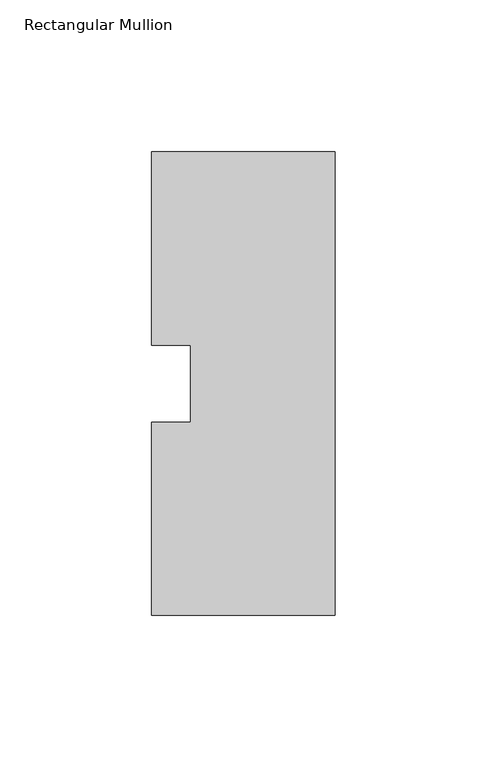
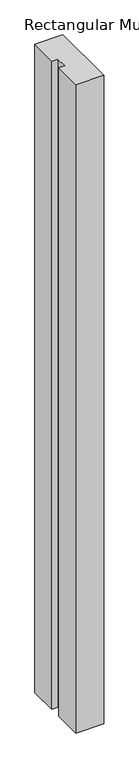
"""IFC4 building model written with IfcOpenShell, lengths in millimetres: member geometry, Rectangular Mullion."""

from ifc_helpers import new_model, si_unit, frame, origin, place, context, project, spatial, polyline, outline, extrude, source, transform, mapped, element, save


def rectangular_mullion_1bc81e8c(model_context):
    return source(origin(), model_context, "Body", "SweptSolid", [
        extrude(outline(polyline([(-60.325, 76.2), (0.0, 76.2), (0.0, -76.2), (-60.325, -76.2), (-60.325, -12.7), (-47.6232296, -12.7), (-47.6232296, 12.7), (-60.325, 12.7), (-60.325, 76.2)])), frame((0.0, 0.0, -1478.28), z_axis=(0.0, 0.0, 1.0), x_axis=(1.0, 0.0, 0.0)), (0.0, 0.0, 1.0), 1478.28),
    ])


if __name__ == "__main__":
    model = new_model("IFC4")
    model_context = context("Model", 3, world=origin())
    ifc_project = project(units=[si_unit("LENGTHUNIT", "METRE", prefix="MILLI")], contexts=[model_context])
    site = spatial("IfcSite", under=ifc_project)
    building = spatial("IfcBuilding", under=site)
    placement = place(None, origin())
    rectangular_mullion_shape = rectangular_mullion_1bc81e8c(model_context)
    element("IfcMember", 1, ObjectType="Rectangular Mullion", at=placement, inside=building, context=model_context, shape_type="MappedRepresentation", body=[
        mapped(rectangular_mullion_shape, transform((0.0, 0.0, 0.0), x_axis=(1.0, 0.0, 0.0), y_axis=(0.0, 1.0, 0.0), z_axis=(0.0, 0.0, 1.0))),
    ])
    save(model, "model.ifc")
